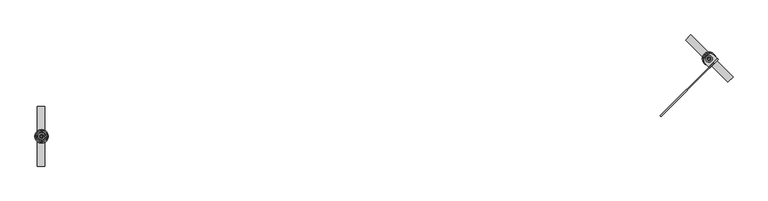
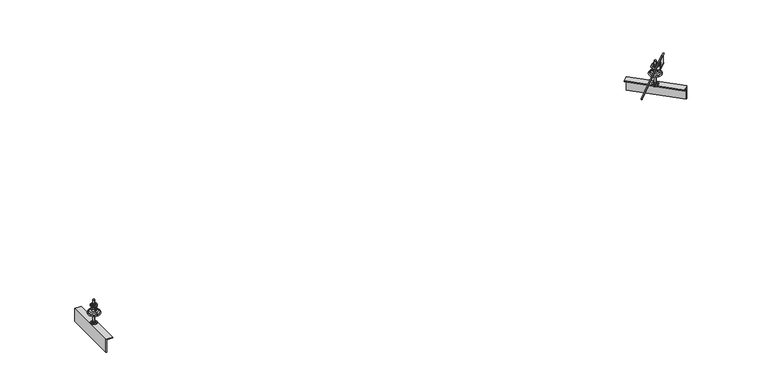
"""IFC4 building model written with IfcOpenShell, lengths in millimetres: proxy geometry."""

from ifc_helpers import new_model, si_unit, point, frame, frame_2d, origin, origin_2d, place, context, project, spatial, polyline, circle_curve, ellipse_curve, trimmed, segment, composite_curve, outline, extrude, source, transform, mapped, element, save
from ifc_brep_helpers import plane_surface, cylinder_surface, revolved_surface, advanced_brep


def specialty_equipment_b4c068b4(model_context):
    return source(origin(), model_context, "Body", "SolidModel", [
        extrude(outline(polyline([(8726.9110746, 469.6729976), (8724.2213481, 479.7111932), (8731.5698174, 487.0596625), (8741.608013, 484.369936), (8744.2977394, 474.3317404), (8736.9492702, 466.9832712), (8726.9110746, 469.6729976)]), holes=[composite_curve([segment(trimmed(circle_curve(frame_2d((8734.2595438, 477.0214668)), 7.0), [point((8739.2092913, 472.0717193))], [point((8729.3097963, 481.9712143))], True, "CARTESIAN"), True, "CONTINUOUS"), segment(trimmed(circle_curve(frame_2d((8734.2595438, 477.0214668)), 7.0), [point((8729.3097963, 481.9712143))], [point((8739.2092913, 472.0717193))], True, "CARTESIAN"), True, "CONTINUOUS")], self_intersect=False)]), frame((0.0, 0.0, -75.0), z_axis=(0.0, 0.0, 1.0), x_axis=(1.0, 0.0, 0.0)), (0.0, 0.0, 1.0), 10.0),
        extrude(outline(composite_curve([segment(trimmed(circle_curve(frame_2d((8734.2595438, 477.0214668)), 13.0), [point((8743.4519319, 467.8290787))], [point((8725.0671556, 486.213855))], False, "CARTESIAN"), True, "CONTINUOUS"), segment(trimmed(circle_curve(frame_2d((8734.2595438, 477.0214668)), 13.0), [point((8725.0671556, 486.213855))], [point((8743.4519319, 467.8290787))], False, "CARTESIAN"), True, "CONTINUOUS")], self_intersect=False)), frame((0.0, 0.0, -78.0), z_axis=(0.0, 0.0, 1.0), x_axis=(1.0, 0.0, 0.0)), (0.0, 0.0, 1.0), 3.0),
        extrude(outline(composite_curve([segment(trimmed(circle_curve(frame_2d((8734.2595438, 477.0214668)), 22.5), [point((8750.1694464, 461.1115642))], [point((8718.3496412, 492.9313694))], False, "CARTESIAN"), True, "CONTINUOUS"), segment(trimmed(circle_curve(frame_2d((8734.2595438, 477.0214668)), 22.5), [point((8718.3496412, 492.9313694))], [point((8750.1694464, 461.1115642))], False, "CARTESIAN"), True, "CONTINUOUS")], self_intersect=False)), frame((0.0, 0.0, -81.0), z_axis=(0.0, 0.0, 1.0), x_axis=(1.0, 0.0, 0.0)), (0.0, 0.0, 1.0), 3.0),
        extrude(outline(polyline([(19.0, 27.5), (19.0, -22.5), (13.0, -22.5), (13.0, 21.5), (-82.0, 21.5), (-82.0, 27.5), (19.0, 27.5)])), frame((8875.6809, 335.6001106, -100.0), z_axis=(-0.7071067811864026, 0.7071067811866926, 0.0), x_axis=(0.0, 0.0, 1.0)), (0.0, 0.0, 1.0), 400.0),
        extrude(outline(composite_curve([segment(trimmed(circle_curve(frame_2d((8734.2595438, 477.0214668)), 21.3), [point((8719.1981694, 492.0828413))], [point((8749.3209182, 461.9600924))], False, "CARTESIAN"), True, "CONTINUOUS"), segment(trimmed(circle_curve(frame_2d((8734.2595438, 477.0214668)), 21.3), [point((8749.3209182, 461.9600924))], [point((8719.1981694, 492.0828413))], False, "CARTESIAN"), True, "CONTINUOUS")], self_intersect=False)), frame((0.0, 0.0, -90.0), z_axis=(0.0, 0.0, 1.0), x_axis=(1.0, 0.0, 0.0)), (0.0, 0.0, 1.0), 3.0),
        extrude(outline(polyline([(8726.9110746, 469.6729976), (8724.2213481, 479.7111932), (8731.5698174, 487.0596625), (8741.608013, 484.369936), (8744.2977394, 474.3317404), (8736.9492702, 466.9832712), (8726.9110746, 469.6729976)]), holes=[composite_curve([segment(trimmed(circle_curve(frame_2d((8734.2595438, 477.0214668)), 7.0), [point((8729.3097963, 481.9712143))], [point((8739.2092913, 472.0717193))], True, "CARTESIAN"), True, "CONTINUOUS"), segment(trimmed(circle_curve(frame_2d((8734.2595438, 477.0214668)), 7.0), [point((8739.2092913, 472.0717193))], [point((8729.3097963, 481.9712143))], True, "CARTESIAN"), True, "CONTINUOUS")], self_intersect=False)]), frame((0.0, 0.0, -100.0), z_axis=(0.0, 0.0, 1.0), x_axis=(1.0, 0.0, 0.0)), (0.0, 0.0, 1.0), 10.0),
        extrude(outline(polyline([(8726.9110746, 469.6729976), (8724.2213481, 479.7111932), (8731.5698174, 487.0596625), (8741.608013, 484.369936), (8744.2977394, 474.3317404), (8736.9492702, 466.9832712), (8726.9110746, 469.6729976)]), holes=[composite_curve([segment(trimmed(circle_curve(frame_2d((8734.2595438, 477.0214668)), 7.0), [point((8729.3097963, 481.9712143))], [point((8739.2092913, 472.0717193))], True, "CARTESIAN"), True, "CONTINUOUS"), segment(trimmed(circle_curve(frame_2d((8734.2595438, 477.0214668)), 7.0), [point((8739.2092913, 472.0717193))], [point((8729.3097963, 481.9712143))], True, "CARTESIAN"), True, "CONTINUOUS")], self_intersect=False)]), frame((0.0, 0.0, 66.0), z_axis=(0.0, 0.0, 1.0), x_axis=(1.0, 0.0, 0.0)), (0.0, 0.0, 1.0), 10.0),
        extrude(outline(composite_curve([segment(trimmed(circle_curve(frame_2d((8734.2595438, 477.0214668)), 13.0), [point((8725.0671556, 486.213855))], [point((8743.4519319, 467.8290787))], False, "CARTESIAN"), True, "CONTINUOUS"), segment(trimmed(circle_curve(frame_2d((8734.2595438, 477.0214668)), 13.0), [point((8743.4519319, 467.8290787))], [point((8725.0671556, 486.213855))], False, "CARTESIAN"), True, "CONTINUOUS")], self_intersect=False)), frame((0.0, 0.0, 63.0), z_axis=(0.0, 0.0, 1.0), x_axis=(1.0, 0.0, 0.0)), (0.0, 0.0, 1.0), 3.0),
        extrude(outline(composite_curve([segment(trimmed(circle_curve(frame_2d((8734.2595438, 477.0214668)), 22.5), [point((8750.1694464, 461.1115642))], [point((8718.3496412, 492.9313694))], False, "CARTESIAN"), True, "CONTINUOUS"), segment(trimmed(circle_curve(frame_2d((8734.2595438, 477.0214668)), 22.5), [point((8718.3496412, 492.9313694))], [point((8750.1694464, 461.1115642))], False, "CARTESIAN"), True, "CONTINUOUS")], self_intersect=False)), frame((0.0, 0.0, 60.0), z_axis=(0.0, 0.0, 1.0), x_axis=(1.0, 0.0, 0.0)), (0.0, 0.0, 1.0), 3.0),
        extrude(outline(polyline([(8726.9110746, 469.6729976), (8724.2213481, 479.7111932), (8731.5698174, 487.0596625), (8741.608013, 484.369936), (8744.2977394, 474.3317404), (8736.9492702, 466.9832712), (8726.9110746, 469.6729976)]), holes=[composite_curve([segment(trimmed(circle_curve(frame_2d((8734.2595438, 477.0214668)), 7.0), [point((8729.3097963, 481.9712143))], [point((8739.2092913, 472.0717193))], True, "CARTESIAN"), True, "CONTINUOUS"), segment(trimmed(circle_curve(frame_2d((8734.2595438, 477.0214668)), 7.0), [point((8739.2092913, 472.0717193))], [point((8729.3097963, 481.9712143))], True, "CARTESIAN"), True, "CONTINUOUS")], self_intersect=False)]), frame((0.0, 0.0, 44.0), z_axis=(0.0, 0.0, 1.0), x_axis=(1.0, 0.0, 0.0)), (0.0, 0.0, 1.0), 10.0),
        extrude(outline(composite_curve([segment(trimmed(circle_curve(frame_2d((8734.2595438, 477.0214668)), 22.5), [point((8750.1694464, 492.9313694))], [point((8718.3496412, 461.1115642))], False, "CARTESIAN"), True, "CONTINUOUS"), segment(trimmed(circle_curve(frame_2d((8734.2595438, 477.0214668)), 22.5), [point((8718.3496412, 461.1115642))], [point((8750.1694464, 492.9313694))], False, "CARTESIAN"), True, "CONTINUOUS")], self_intersect=False)), frame((0.0, 0.0, 54.0), z_axis=(0.0, 0.0, 1.0), x_axis=(1.0, 0.0, 0.0)), (0.0, 0.0, 1.0), 3.0),
        advanced_brep(
        [(8739.2092913, 472.0717193, 0.0), (8729.3097963, 481.9712143, 0.0), (8702.5372044, 508.7438062, 0.0), (8765.9818831, 445.2991275, 0.0), (8739.2092913, 472.0717193, -100.0), (8729.3097963, 481.9712143, -100.0), (8734.2595438, 477.0214668, -100.0), (8739.2092913, 472.0717193, 100.0), (8729.3097963, 481.9712143, 100.0), (8734.2595438, 477.0214668, 100.0), (8739.2092913, 472.0717193, 27.7539053), (8729.3097963, 481.9712143, 27.7539053), (8743.8046228, 467.4763878, 17.8765248), (8724.7144648, 486.5665458, 17.8765248), (8728.5350506, 482.74596, 24.6304301), (8739.984037, 471.2969736, 24.6304301), (8755.4912836, 455.7897271, 16.0), (8713.027804, 498.2532066, 16.0), (8721.9536766, 489.327334, 16.0), (8746.565411, 464.7155997, 16.0), (8760.7760481, 450.5049625, 8.5262143), (8707.7430395, 503.5379711, 8.5262143), (8760.7760481, 450.5049625, 6.8656759), (8707.7430395, 503.5379711, 6.8656759), (8761.3491359, 449.9318747, 5.8712826), (8707.1699517, 504.1110589, 5.8712826)],
        [
            (0, 1, circle_curve(frame((8734.2595438, 477.0214668, 0.0), z_axis=(0.0, 0.0, 1.0), x_axis=(-0.7071067811864026, 0.7071067811866926, 0.0)), 7.0)),
            (1, 2),
            (2, 3, circle_curve(frame((8734.2595438, 477.0214668, 0.0), z_axis=(0.0, 0.0, -1.0), x_axis=(-0.7071067811864026, 0.7071067811866926, 0.0)), 44.8621625)),
            (3, 0),
            (1, 0, circle_curve(frame((8734.2595438, 477.0214668, 0.0), z_axis=(0.0, 0.0, 1.0), x_axis=(-0.7071067811864026, 0.7071067811866926, 0.0)), 7.0)),
            (3, 2, circle_curve(frame((8734.2595438, 477.0214668, 0.0), z_axis=(0.0, 0.0, -1.0), x_axis=(-0.7071067811864026, 0.7071067811866926, 0.0)), 44.8621625)),
            (4, 5, circle_curve(frame((8734.2595438, 477.0214668, -100.0), z_axis=(0.0, 0.0, 1.0), x_axis=(-0.7071067811864026, 0.7071067811866926, 0.0)), 7.0)),
            (5, 1),
            (0, 4),
            (5, 4, circle_curve(frame((8734.2595438, 477.0214668, -100.0), z_axis=(0.0, 0.0, 1.0), x_axis=(-0.7071067811864026, 0.7071067811866926, 0.0)), 7.0)),
            (6, 5),
            (4, 6),
            (7, 8, circle_curve(frame((8734.2595438, 477.0214668, 100.0), z_axis=(0.0, 0.0, 1.0), x_axis=(-0.7071067811864026, 0.7071067811866926, 0.0)), 7.0)),
            (8, 9),
            (9, 7),
            (8, 7, circle_curve(frame((8734.2595438, 477.0214668, 100.0), z_axis=(0.0, 0.0, 1.0), x_axis=(-0.7071067811864026, 0.7071067811866926, 0.0)), 7.0)),
            (10, 11, circle_curve(frame((8734.2595438, 477.0214668, 27.7539053), z_axis=(0.0, 0.0, 1.0), x_axis=(-0.7071067811864026, 0.7071067811866926, 0.0)), 7.0)),
            (11, 8),
            (7, 10),
            (11, 10, circle_curve(frame((8734.2595438, 477.0214668, 27.7539053), z_axis=(0.0, 0.0, 1.0), x_axis=(-0.7071067811864026, 0.7071067811866926, 0.0)), 7.0)),
            (12, 13, circle_curve(frame((8734.2595438, 477.0214668, 17.8765248), z_axis=(0.0, 0.0, 1.0), x_axis=(-0.7071067811864026, 0.7071067811866926, 0.0)), 13.4987802)),
            (13, 14),
            (14, 15, circle_curve(frame((8734.2595438, 477.0214668, 24.6304301), z_axis=(0.0, 0.0, -1.0), x_axis=(-0.7071067811864026, 0.7071067811866926, 0.0)), 8.095656)),
            (15, 12),
            (13, 12, circle_curve(frame((8734.2595438, 477.0214668, 17.8765248), z_axis=(0.0, 0.0, 1.0), x_axis=(-0.7071067811864026, 0.7071067811866926, 0.0)), 13.4987802)),
            (15, 14, circle_curve(frame((8734.2595438, 477.0214668, 24.6304301), z_axis=(0.0, 0.0, -1.0), x_axis=(-0.7071067811864026, 0.7071067811866926, 0.0)), 8.095656)),
            (16, 17, circle_curve(frame((8734.2595438, 477.0214668, 16.0), z_axis=(0.0, 0.0, 1.0), x_axis=(-0.7071067811864026, 0.7071067811866926, 0.0)), 30.0262143)),
            (17, 18),
            (18, 19, circle_curve(frame((8734.2595438, 477.0214668, 16.0), z_axis=(0.0, 0.0, -1.0), x_axis=(-0.7071067811864026, 0.7071067811866926, 0.0)), 17.4031242)),
            (19, 16),
            (17, 16, circle_curve(frame((8734.2595438, 477.0214668, 16.0), z_axis=(0.0, 0.0, 1.0), x_axis=(-0.7071067811864026, 0.7071067811866926, 0.0)), 30.0262143)),
            (19, 18, circle_curve(frame((8734.2595438, 477.0214668, 16.0), z_axis=(0.0, 0.0, -1.0), x_axis=(-0.7071067811864026, 0.7071067811866926, 0.0)), 17.4031242)),
            (20, 21, circle_curve(frame((8734.2595438, 477.0214668, 8.5262143), z_axis=(0.0, 0.0, 1.0), x_axis=(-0.7071067811864026, 0.7071067811866926, 0.0)), 37.5)),
            (21, 17, circle_curve(frame((8713.027804, 498.2532066, 8.5262143), z_axis=(0.7071067811866926, 0.7071067811864026, 0.0), x_axis=(0.7071067811864026, -0.7071067811866926, 0.0)), 7.4737857)),
            (16, 20, circle_curve(frame((8755.4912836, 455.7897271, 8.5262143), z_axis=(0.7071067811866902, 0.7071067811864049, 0.0), x_axis=(-0.7071067811864049, 0.7071067811866902, 0.0)), 7.4737857)),
            (21, 20, circle_curve(frame((8734.2595438, 477.0214668, 8.5262143), z_axis=(0.0, 0.0, 1.0), x_axis=(-0.7071067811864026, 0.7071067811866926, 0.0)), 37.5)),
            (22, 23, circle_curve(frame((8734.2595438, 477.0214668, 6.8656759), z_axis=(0.0, 0.0, 1.0), x_axis=(-0.7071067811864026, 0.7071067811866926, 0.0)), 37.5)),
            (23, 21),
            (20, 22),
            (23, 22, circle_curve(frame((8734.2595438, 477.0214668, 6.8656759), z_axis=(0.0, 0.0, 1.0), x_axis=(-0.7071067811864026, 0.7071067811866926, 0.0)), 37.5)),
            (14, 11, circle_curve(frame((8725.7742624, 485.5067482, 27.7539053), z_axis=(-0.7071067811866926, -0.7071067811864026, 0.0), x_axis=(0.7071067811864026, -0.7071067811866926, 0.0)), 5.0)),
            (10, 15, circle_curve(frame((8742.7448252, 468.5361854, 27.7539053), z_axis=(-0.7071067811866902, -0.7071067811864049, 0.0), x_axis=(-0.7071067811864049, 0.7071067811866902, 0.0)), 5.0)),
            (18, 13, circle_curve(frame((8721.9536766, 489.327334, 21.0), z_axis=(-0.7071067811866926, -0.7071067811864026, 0.0), x_axis=(0.7071067811864026, -0.7071067811866926, 0.0)), 5.0)),
            (12, 19, circle_curve(frame((8746.565411, 464.7155997, 21.0), z_axis=(-0.7071067811866902, -0.7071067811864049, 0.0), x_axis=(-0.7071067811864049, 0.7071067811866902, 0.0)), 5.0)),
            (24, 25, circle_curve(frame((8734.2595438, 477.0214668, 5.8712826), z_axis=(0.0, 0.0, 1.0), x_axis=(-0.7071067811864026, 0.7071067811866926, 0.0)), 38.3104685)),
            (25, 23, circle_curve(frame((8707.0251402, 504.2558704, 6.8656759), z_axis=(-0.7071067811866926, -0.7071067811864026, 0.0), x_axis=(0.7071067811864026, -0.7071067811866926, 0.0)), 1.0152629)),
            (22, 24, circle_curve(frame((8761.4939473, 449.7870633, 6.8656759), z_axis=(-0.7071067811866902, -0.7071067811864049, 0.0), x_axis=(-0.7071067811864049, 0.7071067811866902, 0.0)), 1.0152629)),
            (25, 24, circle_curve(frame((8734.2595438, 477.0214668, 5.8712826), z_axis=(0.0, 0.0, 1.0), x_axis=(-0.7071067811864026, 0.7071067811866926, 0.0)), 38.3104685)),
            (2, 25, circle_curve(frame((8708.4162142, 502.8647964, -2.686569), z_axis=(0.7071067811866926, 0.7071067811864026, 0.0), x_axis=(0.7071067811864026, -0.7071067811866926, 0.0)), 8.7374576)),
            (24, 3, circle_curve(frame((8760.1028734, 451.1781372, -2.686569), z_axis=(0.7071067811866902, 0.7071067811864049, 0.0), x_axis=(-0.7071067811864049, 0.7071067811866902, 0.0)), 8.7374576)),
        ],
        [
            plane_surface(frame((8734.2595438, 477.0214668, 0.0), z_axis=(0.0, 0.0, -1.0000000000000002), x_axis=(-0.7071067811864026, 0.7071067811866926, 0.0))),
            cylinder_surface(frame((8734.2595438, 477.0214668, 93.0), z_axis=(0.0, 0.0, -1.0), x_axis=(-0.7071067811864026, 0.7071067811866926, 0.0)), 7.0),
            plane_surface(frame((8734.2595438, 477.0214668, -100.0), z_axis=(0.0, 0.0, -1.0000000000000002), x_axis=(-0.7071067811864026, 0.7071067811866926, 0.0))),
            plane_surface(frame((8734.2595438, 477.0214668, 100.0), z_axis=(0.0, 0.0, 1.0000000000000002), x_axis=(-0.7071067811864026, 0.7071067811866926, 0.0))),
            revolved_surface(polyline([(8728.5350506, 482.74596, 24.6304301), (8724.7144648, 486.5665458, 17.8765248)]), (8734.2595438, 477.0214668, 93.0), (0.0, 0.0, -1.0)),
            plane_surface(frame((8734.2595438, 477.0214668, 16.0), z_axis=(0.0, 0.0, 1.0000000000000002), x_axis=(-0.7071067811864026, 0.7071067811866926, 0.0))),
            revolved_surface(trimmed(ellipse_curve(frame((8713.027804, 498.2532066, 8.5262143), z_axis=(-0.7071067811866926, -0.7071067811864026, 0.0), x_axis=(0.7071067811864026, -0.7071067811866926, 0.0)), 7.4737857, 7.4737857), [point((8713.027804, 498.2532066, 16.0))], [point((8707.7430395, 503.5379711, 8.5262143))], True, "CARTESIAN"), (8734.2595438, 477.0214668, 93.0), (0.0, 0.0, -1.0)),
            cylinder_surface(frame((8734.2595438, 477.0214668, 93.0), z_axis=(0.0, 0.0, -1.0), x_axis=(-0.7071067811864026, 0.7071067811866926, 0.0)), 37.5),
            revolved_surface(trimmed(ellipse_curve(frame((8725.7742624, 485.5067482, 27.7539053), z_axis=(0.7071067811866926, 0.7071067811864026, 0.0), x_axis=(0.7071067811864026, -0.7071067811866926, 0.0)), 5.0, 5.0), [point((8729.3097963, 481.9712143, 27.7539053))], [point((8728.5350506, 482.74596, 24.6304301))], True, "CARTESIAN"), (8734.2595438, 477.0214668, 93.0), (0.0, 0.0, -1.0)),
            revolved_surface(trimmed(ellipse_curve(frame((8721.9536766, 489.327334, 21.0), z_axis=(0.7071067811866926, 0.7071067811864026, 0.0), x_axis=(0.7071067811864026, -0.7071067811866926, 0.0)), 5.0, 5.0), [point((8724.7144648, 486.5665458, 17.8765248))], [point((8721.9536766, 489.327334, 16.0))], True, "CARTESIAN"), (8734.2595438, 477.0214668, 93.0), (0.0, 0.0, -1.0)),
            revolved_surface(trimmed(ellipse_curve(frame((8707.0251402, 504.2558704, 6.8656759), z_axis=(0.7071067811866926, 0.7071067811864026, 0.0), x_axis=(0.7071067811864026, -0.7071067811866926, 0.0)), 1.0152629, 1.0152629), [point((8707.7430395, 503.5379711, 6.8656759))], [point((8707.1699517, 504.1110589, 5.8712826))], True, "CARTESIAN"), (8734.2595438, 477.0214668, 93.0), (0.0, 0.0, -1.0)),
            revolved_surface(trimmed(ellipse_curve(frame((8708.4162142, 502.8647964, -2.686569), z_axis=(-0.7071067811866926, -0.7071067811864026, 0.0), x_axis=(0.7071067811864026, -0.7071067811866926, 0.0)), 8.7374576, 8.7374576), [point((8707.1699517, 504.1110589, 5.8712826))], [point((8702.5372044, 508.7438062, 0.0))], True, "CARTESIAN"), (8734.2595438, 477.0214668, 93.0), (0.0, 0.0, -1.0)),
        ],
        [
            (0, [[1, 2, 3, 4]]),
            (0, [[5, -4, 6, -2]]),
            (1, [[7, 8, -1, 9]]),
            (1, [[10, -9, -5, -8]]),
            (2, [[11, -7, 12]]),
            (2, [[-12, -10, -11]]),
            (3, [[13, 14, 15]]),
            (3, [[16, -15, -14]]),
            (1, [[17, 18, -13, 19]]),
            (1, [[20, -19, -16, -18]]),
            (4, [[21, 22, 23, 24]]),
            (4, [[25, -24, 26, -22]]),
            (5, [[27, 28, 29, 30]]),
            (5, [[31, -30, 32, -28]]),
            (6, [[33, 34, -27, 35]]),
            (6, [[36, -35, -31, -34]]),
            (7, [[37, 38, -33, 39]]),
            (7, [[40, -39, -36, -38]]),
            (8, [[-23, 41, -17, 42]]),
            (8, [[-26, -42, -20, -41]]),
            (9, [[-29, 43, -21, 44]]),
            (9, [[-32, -44, -25, -43]]),
            (10, [[45, 46, -37, 47]]),
            (10, [[48, -47, -40, -46]]),
            (11, [[-3, 49, -45, 50]]),
            (11, [[-6, -50, -48, -49]]),
        ],
    ),
        advanced_brep(
        [(8735.0647546, 419.6477136, 57.0), (8737.1854367, 417.5270314, 59.9999999), (8737.1854367, 417.5270314, 63.0), (8735.0641164, 419.6483517, 63.0), (8732.942796, 421.7696721, 60.0), (8708.9011655, 445.8113026, 60.0), (8708.9011655, 445.8113026, 57.0), (8737.1854367, 417.5270314, 130.6941216), (8737.313368, 417.3991001, 131.720182), (8739.0631838, 415.6492844, 138.5191259), (8733.1863694, 421.5260988, 138.5191259), (8734.9361851, 419.776283, 131.720182), (8735.0641164, 419.6483517, 130.6941216), (8789.5113385, 478.3382146, 60.0), (8791.6326589, 476.2168942, 63.0), (8793.7539792, 474.0955739, 63.0), (8793.7539792, 474.0955739, 59.9999999), (8791.6332971, 476.216256, 57.0), (8765.469708, 502.3798451, 57.0), (8765.469708, 502.3798451, 60.0), (8791.6326589, 476.2168942, 130.6941216), (8791.5047276, 476.3448255, 131.720182), (8789.7549118, 478.0946413, 138.5191259), (8795.6317262, 472.2178269, 138.5191259), (8793.8819105, 473.9676426, 131.720182), (8793.7539792, 474.0955739, 130.6941216), (8723.0433011, 502.3798451, 60.0), (8708.9011655, 488.2377095, 60.0), (8723.0433011, 502.3798451, 57.0), (8708.9011655, 488.2377095, 57.0)],
        [
            (0, 1, circle_curve(frame((8735.0641164, 419.6483517, 59.9999999), z_axis=(-0.7071067811866926, -0.7071067811864026, 0.0), x_axis=(0.7071067811864026, -0.7071067811866926, 0.0)), 3.0)),
            (1, 2),
            (2, 3),
            (3, 4, circle_curve(frame((8732.942796, 421.7696721, 63.0), z_axis=(0.7071067811866926, 0.7071067811864026, 0.0), x_axis=(0.7071067811864026, -0.7071067811866926, 0.0)), 3.0)),
            (4, 5),
            (5, 6),
            (6, 0),
            (7, 8, circle_curve(frame((8739.3067571, 415.405711, 130.6941216), z_axis=(0.7071067811866926, 0.7071067811864026, 0.0), x_axis=(0.7071067811864026, -0.7071067811866926, 0.0)), 3.0)),
            (8, 9),
            (9, 10, circle_curve(frame((8736.1247766, 418.5876916, 143.5172781), z_axis=(0.7071067811866926, 0.7071067811864026, 0.0), x_axis=(0.7071067811864026, -0.7071067811866926, 0.0)), 6.5)),
            (10, 11),
            (11, 12, circle_curve(frame((8732.942796, 421.7696721, 130.6941216), z_axis=(0.7071067811866926, 0.7071067811864026, 0.0), x_axis=(0.7071067811864026, -0.7071067811866926, 0.0)), 3.0)),
            (12, 7),
            (13, 14, circle_curve(frame((8789.5113385, 478.3382146, 63.0), z_axis=(-0.7071067811866926, -0.7071067811864026, 0.0), x_axis=(0.7071067811864026, -0.7071067811866926, 0.0)), 3.0)),
            (14, 15),
            (15, 16),
            (16, 17, circle_curve(frame((8791.6326589, 476.2168942, 59.9999999), z_axis=(0.7071067811866926, 0.7071067811864026, 0.0), x_axis=(0.7071067811864026, -0.7071067811866926, 0.0)), 3.0)),
            (17, 18),
            (18, 19),
            (19, 13),
            (20, 21, circle_curve(frame((8789.5113385, 478.3382146, 130.6941216), z_axis=(-0.7071067811866926, -0.7071067811864026, 0.0), x_axis=(0.7071067811864026, -0.7071067811866926, 0.0)), 3.0)),
            (21, 22),
            (22, 23, circle_curve(frame((8792.693319, 475.1562341, 143.5172781), z_axis=(-0.7071067811866926, -0.7071067811864026, 0.0), x_axis=(0.7071067811864026, -0.7071067811866926, 0.0)), 6.5)),
            (23, 24),
            (24, 25, circle_curve(frame((8795.8752996, 471.9742535, 130.6941216), z_axis=(-0.7071067811866926, -0.7071067811864026, 0.0), x_axis=(0.7071067811864026, -0.7071067811866926, 0.0)), 3.0)),
            (25, 20),
            (4, 13),
            (19, 26, circle_curve(frame((8744.2565045, 481.1666417, 60.0), z_axis=(0.0, 0.0, 1.0), x_axis=(-0.7071067811866926, -0.7071067811864026, 0.0)), 30.0)),
            (26, 27),
            (27, 5, circle_curve(frame((8730.1143689, 467.0245061, 60.0), z_axis=(0.0, 0.0, 1.0), x_axis=(-0.7071067811866926, -0.7071067811864026, 0.0)), 30.0)),
            (26, 28),
            (28, 29),
            (29, 27),
            (17, 0),
            (6, 29, circle_curve(frame((8730.1143689, 467.0245061, 57.0), z_axis=(0.0, 0.0, -1.0), x_axis=(-0.7071067811866926, -0.7071067811864026, 0.0)), 30.0)),
            (28, 18, circle_curve(frame((8744.2565045, 481.1666417, 57.0), z_axis=(0.0, 0.0, -1.0), x_axis=(-0.7071067811866926, -0.7071067811864026, 0.0)), 30.0)),
            (14, 20, circle_curve(frame((8834.9591893, 519.5434246, 96.8470608), z_axis=(-0.7071067811864026, 0.7071067811866926, 0.0), x_axis=(0.0, 0.0, 1.0)), 70.0)),
            (25, 15, circle_curve(frame((8837.0805096, 517.4221043, 96.8470608), z_axis=(0.7071067811864026, -0.7071067811866926, 0.0), x_axis=(0.0, 0.0, 1.0)), 70.0)),
            (12, 3, circle_curve(frame((8691.737586, 376.3218213, 96.8470608), z_axis=(-0.7071067811864026, 0.7071067811866926, 0.0), x_axis=(0.0, 0.0, 1.0)), 70.0)),
            (2, 7, circle_curve(frame((8693.8589063, 374.200501, 96.8470608), z_axis=(0.7071067811864026, -0.7071067811866926, 0.0), x_axis=(0.0, 0.0, 1.0)), 70.0)),
            (16, 1),
            (25, 7),
            (24, 8),
            (23, 9),
            (22, 10),
            (21, 11),
            (20, 12),
            (14, 3),
        ],
        [
            plane_surface(frame((8737.1854367, 417.5270314, 59.9999999), z_axis=(-0.7071067811866926, -0.7071067811864026, 0.0), x_axis=(0.0, 0.0, 1.0))),
            plane_surface(frame((8793.7539792, 474.0955739, 59.9999999), z_axis=(0.7071067811866926, 0.7071067811864026, 0.0), x_axis=(0.0, 0.0, -1.0))),
            plane_surface(frame((8732.942796, 421.7696721, 60.0), z_axis=(0.0, 0.0, 1.0000000000000002), x_axis=(0.7071067811866926, 0.7071067811864026, 0.0))),
            plane_surface(frame((8687.687962, 467.0245061, 60.0), z_axis=(-0.7071067811864026, 0.7071067811866926, 0.0), x_axis=(0.7071067811866926, 0.7071067811864026, 0.0))),
            plane_surface(frame((8687.687962, 467.0245061, 57.0), z_axis=(0.0, 0.0, -1.0000000000000002), x_axis=(0.7071067811866926, 0.7071067811864026, 0.0))),
            revolved_surface(polyline([(8837.08050960001, 517.4221042999902, 166.8470608), (8834.9591893, 519.5434246, 166.8470608)]), (8834.9591893, 519.5434246, 96.8470608), (0.7071067811864026, -0.7071067811866926, 0.0)),
            revolved_surface(polyline([(8693.8589063, 374.200501, 166.8470608), (8691.737585999992, 376.3218213000089, 166.8470608)]), (8691.3840326, 376.6753747, 96.8470608), (0.7071067811864026, -0.7071067811866926, 0.0)),
            cylinder_surface(frame((8744.2565045, 481.1666417, 60.0), z_axis=(0.0, 0.0, 1.0), x_axis=(-0.7071067811866926, -0.7071067811864026, 0.0)), 30.0),
            cylinder_surface(frame((8730.1143689, 467.0245061, 60.0), z_axis=(0.0, 0.0, 1.0), x_axis=(-0.7071067811866926, -0.7071067811864026, 0.0)), 30.0),
            cylinder_surface(frame((8791.6326589, 476.2168942, 59.9999999), z_axis=(-0.7071067811866926, -0.7071067811864026, 0.0), x_axis=(0.7071067811864026, -0.7071067811866926, 0.0)), 3.0),
            plane_surface(frame((8737.1854367, 417.5270314, 59.9999999), z_axis=(0.7071067811864026, -0.7071067811866926, 0.0), x_axis=(0.7071067811866926, 0.7071067811864026, 0.0))),
            revolved_surface(polyline([(8797.99661994356, 469.8529331564399, 130.6941216), (8741.428077443548, 413.28439065645057, 130.6941216)]), (8795.8752996, 471.9742535, 130.6941216), (0.7071067811866926, 0.7071067811864026, 0.0)),
            plane_surface(frame((8737.313368, 417.3991001, 131.720182), z_axis=(0.6644630243889625, -0.6644630243892272, -0.3420201433240364), x_axis=(0.7071067811866926, 0.7071067811864026, 0.0))),
            revolved_surface(polyline([(8797.289513077712, 470.5600400222868, 143.5172781), (8740.7209706277, 413.99149757229765, 143.5172781)]), (8792.693319, 475.1562341, 143.5172781), (0.7071067811866926, 0.7071067811864026, 0.0)),
            plane_surface(frame((8733.1863694, 421.5260988, 138.5191259), z_axis=(-0.6644630243887307, 0.6644630243890111, -0.3420201433249068), x_axis=(0.7071067811866926, 0.7071067811864026, 0.0))),
            revolved_surface(polyline([(8791.63265884356, 476.2168942564404, 130.6941216), (8735.064116343548, 419.648351756451, 130.6941216)]), (8789.5113385, 478.3382146, 130.6941216), (0.7071067811866926, 0.7071067811864026, 0.0)),
            plane_surface(frame((8735.0641164, 419.6483517, 130.6941216), z_axis=(-0.7071067811864026, 0.7071067811866926, 0.0), x_axis=(0.7071067811866926, 0.7071067811864026, 0.0))),
            revolved_surface(polyline([(8791.63265884356, 476.2168942564402, 63.0), (8735.064116343548, 419.648351756451, 63.0)]), (8789.5113385, 478.3382146, 63.0), (0.7071067811866926, 0.7071067811864026, 0.0)),
        ],
        [
            (0, [[1, 2, 3, 4, 5, 6, 7]]),
            (0, [[8, 9, 10, 11, 12, 13]]),
            (1, [[14, 15, 16, 17, 18, 19, 20]]),
            (1, [[21, 22, 23, 24, 25, 26]]),
            (2, [[27, -20, 28, 29, 30, -5]]),
            (3, [[-29, 31, 32, 33]]),
            (4, [[34, -7, 35, -32, 36, -18]]),
            (5, [[-15, 37, -26, 38]]),
            (6, [[-13, 39, -3, 40]]),
            (7, [[-19, -36, -31, -28]]),
            (8, [[-6, -30, -33, -35]]),
            (9, [[-1, -34, -17, 41]]),
            (10, [[-41, -16, -38, 42, -40, -2]]),
            (11, [[-8, -42, -25, 43]]),
            (12, [[-9, -43, -24, 44]]),
            (13, [[-10, -44, -23, 45]]),
            (14, [[-11, -45, -22, 46]]),
            (15, [[-12, -46, -21, 47]]),
            (16, [[-47, -37, 48, -39]]),
            (17, [[-4, -48, -14, -27]]),
        ],
    ),
        extrude(outline(composite_curve([segment(trimmed(circle_curve(origin_2d(), 4.0), [point((0.0, 4.0))], [point((0.0, -4.0))], False, "CARTESIAN"), True, "CONTINUOUS"), segment(trimmed(circle_curve(origin_2d(), 4.0), [point((0.0, -4.0))], [point((0.0, 4.0))], False, "CARTESIAN"), True, "CONTINUOUS")], self_intersect=False)), frame((8410.8556572, 93.3185722, 143.5), z_axis=(0.7071067811866951, 0.7071067811864, 0.0), x_axis=(0.0, 0.0, 1.0)), (0.0, 0.0, 1.0), 500.0),
        extrude(outline(polyline([(4280.3923048, -42.6378375), (4275.1961524, -51.6378375), (4264.8038476, -51.6378375), (4259.6076952, -42.6378375), (4264.8038476, -33.6378375), (4275.1961524, -33.6378375), (4280.3923048, -42.6378375)]), holes=[composite_curve([segment(trimmed(circle_curve(frame_2d((4270.0, -42.6378375)), 7.0), [point((4270.0, -35.6378375))], [point((4270.0, -49.6378375))], True, "CARTESIAN"), True, "CONTINUOUS"), segment(trimmed(circle_curve(frame_2d((4270.0, -42.6378375)), 7.0), [point((4270.0, -49.6378375))], [point((4270.0, -35.6378375))], True, "CARTESIAN"), True, "CONTINUOUS")], self_intersect=False)]), frame((0.0, 0.0, -75.0), z_axis=(0.0, 0.0, 1.0), x_axis=(1.0, 0.0, 0.0)), (0.0, 0.0, 1.0), 10.0),
        extrude(outline(composite_curve([segment(trimmed(circle_curve(frame_2d((4270.0, -42.6378375)), 13.0), [point((4270.0, -29.6378375))], [point((4270.0, -55.6378375))], False, "CARTESIAN"), True, "CONTINUOUS"), segment(trimmed(circle_curve(frame_2d((4270.0, -42.6378375)), 13.0), [point((4270.0, -55.6378375))], [point((4270.0, -29.6378375))], False, "CARTESIAN"), True, "CONTINUOUS")], self_intersect=False)), frame((0.0, 0.0, -78.0), z_axis=(0.0, 0.0, 1.0), x_axis=(1.0, 0.0, 0.0)), (0.0, 0.0, 1.0), 3.0),
        extrude(outline(composite_curve([segment(trimmed(circle_curve(frame_2d((4270.0, -42.6378375)), 22.5), [point((4270.0, -20.1378375))], [point((4270.0, -65.1378375))], False, "CARTESIAN"), True, "CONTINUOUS"), segment(trimmed(circle_curve(frame_2d((4270.0, -42.6378375)), 22.5), [point((4270.0, -65.1378375))], [point((4270.0, -20.1378375))], False, "CARTESIAN"), True, "CONTINUOUS")], self_intersect=False)), frame((0.0, 0.0, -81.0), z_axis=(0.0, 0.0, 1.0), x_axis=(1.0, 0.0, 0.0)), (0.0, 0.0, 1.0), 3.0),
        extrude(outline(polyline([(-81.0, 4242.5), (-182.0, 4242.5), (-182.0, 4248.5), (-87.0, 4248.5), (-87.0, 4292.5), (-81.0, 4292.5), (-81.0, 4242.5)])), frame((0.0, -242.6378375, 0.0), z_axis=(0.0, 1.0, 0.0), x_axis=(0.0, 0.0, 1.0)), (0.0, 0.0, 1.0), 400.0),
        extrude(outline(composite_curve([segment(trimmed(circle_curve(frame_2d((4270.0, -42.6378375)), 21.3), [point((4270.0, -63.9378375))], [point((4270.0, -21.3378375))], False, "CARTESIAN"), True, "CONTINUOUS"), segment(trimmed(circle_curve(frame_2d((4270.0, -42.6378375)), 21.3), [point((4270.0, -21.3378375))], [point((4270.0, -63.9378375))], False, "CARTESIAN"), True, "CONTINUOUS")], self_intersect=False)), frame((0.0, 0.0, -90.0), z_axis=(0.0, 0.0, 1.0), x_axis=(1.0, 0.0, 0.0)), (0.0, 0.0, 1.0), 3.0),
        extrude(outline(polyline([(4280.3923048, -42.6378375), (4275.1961524, -51.6378375), (4264.8038476, -51.6378375), (4259.6076952, -42.6378375), (4264.8038476, -33.6378375), (4275.1961524, -33.6378375), (4280.3923048, -42.6378375)]), holes=[composite_curve([segment(trimmed(circle_curve(frame_2d((4270.0, -42.6378375)), 7.0), [point((4270.0, -49.6378375))], [point((4270.0, -35.6378375))], True, "CARTESIAN"), True, "CONTINUOUS"), segment(trimmed(circle_curve(frame_2d((4270.0, -42.6378375)), 7.0), [point((4270.0, -35.6378375))], [point((4270.0, -49.6378375))], True, "CARTESIAN"), True, "CONTINUOUS")], self_intersect=False)]), frame((0.0, 0.0, -100.0), z_axis=(0.0, 0.0, 1.0), x_axis=(1.0, 0.0, 0.0)), (0.0, 0.0, 1.0), 10.0),
        extrude(outline(polyline([(4280.3923048, -42.6378375), (4275.1961524, -51.6378375), (4264.8038476, -51.6378375), (4259.6076952, -42.6378375), (4264.8038476, -33.6378375), (4275.1961524, -33.6378375), (4280.3923048, -42.6378375)]), holes=[composite_curve([segment(trimmed(circle_curve(frame_2d((4270.0, -42.6378375)), 7.0), [point((4270.0, -49.6378375))], [point((4270.0, -35.6378375))], True, "CARTESIAN"), True, "CONTINUOUS"), segment(trimmed(circle_curve(frame_2d((4270.0, -42.6378375)), 7.0), [point((4270.0, -35.6378375))], [point((4270.0, -49.6378375))], True, "CARTESIAN"), True, "CONTINUOUS")], self_intersect=False)]), frame((0.0, 0.0, 66.0), z_axis=(0.0, 0.0, 1.0), x_axis=(1.0, 0.0, 0.0)), (0.0, 0.0, 1.0), 10.0),
        extrude(outline(composite_curve([segment(trimmed(circle_curve(frame_2d((4270.0, -42.6378375)), 13.0), [point((4270.0, -55.6378375))], [point((4270.0, -29.6378375))], False, "CARTESIAN"), True, "CONTINUOUS"), segment(trimmed(circle_curve(frame_2d((4270.0, -42.6378375)), 13.0), [point((4270.0, -29.6378375))], [point((4270.0, -55.6378375))], False, "CARTESIAN"), True, "CONTINUOUS")], self_intersect=False)), frame((0.0, 0.0, 63.0), z_axis=(0.0, 0.0, 1.0), x_axis=(1.0, 0.0, 0.0)), (0.0, 0.0, 1.0), 3.0),
        extrude(outline(composite_curve([segment(trimmed(circle_curve(frame_2d((4270.0, -42.6378375)), 22.5), [point((4270.0, -20.1378375))], [point((4270.0, -65.1378375))], False, "CARTESIAN"), True, "CONTINUOUS"), segment(trimmed(circle_curve(frame_2d((4270.0, -42.6378375)), 22.5), [point((4270.0, -65.1378375))], [point((4270.0, -20.1378375))], False, "CARTESIAN"), True, "CONTINUOUS")], self_intersect=False)), frame((0.0, 0.0, 60.0), z_axis=(0.0, 0.0, 1.0), x_axis=(1.0, 0.0, 0.0)), (0.0, 0.0, 1.0), 3.0),
        extrude(outline(polyline([(4280.3923048, -42.6378375), (4275.1961524, -51.6378375), (4264.8038476, -51.6378375), (4259.6076952, -42.6378375), (4264.8038476, -33.6378375), (4275.1961524, -33.6378375), (4280.3923048, -42.6378375)]), holes=[composite_curve([segment(trimmed(circle_curve(frame_2d((4270.0, -42.6378375)), 7.0), [point((4270.0, -49.6378375))], [point((4270.0, -35.6378375))], True, "CARTESIAN"), True, "CONTINUOUS"), segment(trimmed(circle_curve(frame_2d((4270.0, -42.6378375)), 7.0), [point((4270.0, -35.6378375))], [point((4270.0, -49.6378375))], True, "CARTESIAN"), True, "CONTINUOUS")], self_intersect=False)]), frame((0.0, 0.0, 44.0), z_axis=(0.0, 0.0, 1.0), x_axis=(1.0, 0.0, 0.0)), (0.0, 0.0, 1.0), 10.0),
        extrude(outline(composite_curve([segment(trimmed(circle_curve(frame_2d((4270.0, -42.6378375)), 22.5), [point((4247.5, -42.6378375))], [point((4292.5, -42.6378375))], False, "CARTESIAN"), True, "CONTINUOUS"), segment(trimmed(circle_curve(frame_2d((4270.0, -42.6378375)), 22.5), [point((4292.5, -42.6378375))], [point((4247.5, -42.6378375))], False, "CARTESIAN"), True, "CONTINUOUS")], self_intersect=False)), frame((0.0, 0.0, 54.0), z_axis=(0.0, 0.0, 1.0), x_axis=(1.0, 0.0, 0.0)), (0.0, 0.0, 1.0), 3.0),
        advanced_brep(
        [(4270.0, -35.6378375, 0.0), (4270.0, -49.6378375, 0.0), (4270.0, -87.5, 0.0), (4270.0, 2.2243251, 0.0), (4270.0, -35.6378375, -100.0), (4270.0, -49.6378375, -100.0), (4270.0, -42.6378375, -100.0), (4270.0, -35.6378375, 100.0), (4270.0, -49.6378375, 100.0), (4270.0, -42.6378375, 100.0), (4270.0, -35.6378375, 27.7539053), (4270.0, -49.6378375, 27.7539053), (4270.0, -29.1390573, 17.8765248), (4270.0, -56.1366177, 17.8765248), (4270.0, -50.7334934, 24.6304301), (4270.0, -34.5421815, 24.6304301), (4270.0, -12.6116231, 16.0), (4270.0, -72.6640518, 16.0), (4270.0, -60.0409617, 16.0), (4270.0, -25.2347132, 16.0), (4270.0, -5.1378375, 8.5262143), (4270.0, -80.1378375, 8.5262143), (4270.0, -5.1378375, 6.8656759), (4270.0, -80.1378375, 6.8656759), (4270.0, -4.3273689, 5.8712826), (4270.0, -80.948306, 5.8712826)],
        [
            (0, 1, circle_curve(frame((4270.0, -42.6378375, 0.0), z_axis=(0.0, 0.0, 1.0), x_axis=(0.0, -1.0, 0.0)), 7.0)),
            (1, 2),
            (2, 3, circle_curve(frame((4270.0, -42.6378375, 0.0), z_axis=(0.0, 0.0, -1.0), x_axis=(0.0, -1.0, 0.0)), 44.8621625)),
            (3, 0),
            (1, 0, circle_curve(frame((4270.0, -42.6378375, 0.0), z_axis=(0.0, 0.0, 1.0), x_axis=(0.0, -1.0, 0.0)), 7.0)),
            (3, 2, circle_curve(frame((4270.0, -42.6378375, 0.0), z_axis=(0.0, 0.0, -1.0), x_axis=(0.0, -1.0, 0.0)), 44.8621625)),
            (4, 5, circle_curve(frame((4270.0, -42.6378375, -100.0), z_axis=(0.0, 0.0, 1.0), x_axis=(0.0, -1.0, 0.0)), 7.0)),
            (5, 1),
            (0, 4),
            (5, 4, circle_curve(frame((4270.0, -42.6378375, -100.0), z_axis=(0.0, 0.0, 1.0), x_axis=(0.0, -1.0, 0.0)), 7.0)),
            (6, 5),
            (4, 6),
            (7, 8, circle_curve(frame((4270.0, -42.6378375, 100.0), z_axis=(0.0, 0.0, 1.0), x_axis=(0.0, -1.0, 0.0)), 7.0)),
            (8, 9),
            (9, 7),
            (8, 7, circle_curve(frame((4270.0, -42.6378375, 100.0), z_axis=(0.0, 0.0, 1.0), x_axis=(0.0, -1.0, 0.0)), 7.0)),
            (10, 11, circle_curve(frame((4270.0, -42.6378375, 27.7539053), z_axis=(0.0, 0.0, 1.0), x_axis=(0.0, -1.0, 0.0)), 7.0)),
            (11, 8),
            (7, 10),
            (11, 10, circle_curve(frame((4270.0, -42.6378375, 27.7539053), z_axis=(0.0, 0.0, 1.0), x_axis=(0.0, -1.0, 0.0)), 7.0)),
            (12, 13, circle_curve(frame((4270.0, -42.6378375, 17.8765248), z_axis=(0.0, 0.0, 1.0), x_axis=(0.0, -1.0, 0.0)), 13.4987802)),
            (13, 14),
            (14, 15, circle_curve(frame((4270.0, -42.6378375, 24.6304301), z_axis=(0.0, 0.0, -1.0), x_axis=(0.0, -1.0, 0.0)), 8.095656)),
            (15, 12),
            (13, 12, circle_curve(frame((4270.0, -42.6378375, 17.8765248), z_axis=(0.0, 0.0, 1.0), x_axis=(0.0, -1.0, 0.0)), 13.4987802)),
            (15, 14, circle_curve(frame((4270.0, -42.6378375, 24.6304301), z_axis=(0.0, 0.0, -1.0), x_axis=(0.0, -1.0, 0.0)), 8.095656)),
            (16, 17, circle_curve(frame((4270.0, -42.6378375, 16.0), z_axis=(0.0, 0.0, 1.0), x_axis=(0.0, -1.0, 0.0)), 30.0262143)),
            (17, 18),
            (18, 19, circle_curve(frame((4270.0, -42.6378375, 16.0), z_axis=(0.0, 0.0, -1.0), x_axis=(0.0, -1.0, 0.0)), 17.4031242)),
            (19, 16),
            (17, 16, circle_curve(frame((4270.0, -42.6378375, 16.0), z_axis=(0.0, 0.0, 1.0), x_axis=(0.0, -1.0, 0.0)), 30.0262143)),
            (19, 18, circle_curve(frame((4270.0, -42.6378375, 16.0), z_axis=(0.0, 0.0, -1.0), x_axis=(0.0, -1.0, 0.0)), 17.4031242)),
            (20, 21, circle_curve(frame((4270.0, -42.6378375, 8.5262143), z_axis=(0.0, 0.0, 1.0), x_axis=(0.0, -1.0, 0.0)), 37.5)),
            (21, 17, circle_curve(frame((4270.0, -72.6640518, 8.5262143), z_axis=(-1.0, 0.0, 0.0), x_axis=(0.0, 1.0, 0.0)), 7.4737857)),
            (16, 20, circle_curve(frame((4270.0, -12.6116231, 8.5262143), z_axis=(-1.0, 0.0, 0.0), x_axis=(0.0, -1.0, 0.0)), 7.4737857)),
            (21, 20, circle_curve(frame((4270.0, -42.6378375, 8.5262143), z_axis=(0.0, 0.0, 1.0), x_axis=(0.0, -1.0, 0.0)), 37.5)),
            (22, 23, circle_curve(frame((4270.0, -42.6378375, 6.8656759), z_axis=(0.0, 0.0, 1.0), x_axis=(0.0, -1.0, 0.0)), 37.5)),
            (23, 21),
            (20, 22),
            (23, 22, circle_curve(frame((4270.0, -42.6378375, 6.8656759), z_axis=(0.0, 0.0, 1.0), x_axis=(0.0, -1.0, 0.0)), 37.5)),
            (14, 11, circle_curve(frame((4270.0, -54.6378375, 27.7539053), z_axis=(1.0, 0.0, 0.0), x_axis=(0.0, 1.0, 0.0)), 5.0)),
            (10, 15, circle_curve(frame((4270.0, -30.6378375, 27.7539053), z_axis=(1.0, 0.0, 0.0), x_axis=(0.0, -1.0, 0.0)), 5.0)),
            (18, 13, circle_curve(frame((4270.0, -60.0409617, 21.0), z_axis=(1.0, 0.0, 0.0), x_axis=(0.0, 1.0, 0.0)), 5.0)),
            (12, 19, circle_curve(frame((4270.0, -25.2347132, 21.0), z_axis=(1.0, 0.0, 0.0), x_axis=(0.0, -1.0, 0.0)), 5.0)),
            (24, 25, circle_curve(frame((4270.0, -42.6378375, 5.8712826), z_axis=(0.0, 0.0, 1.0), x_axis=(0.0, -1.0, 0.0)), 38.3104685)),
            (25, 23, circle_curve(frame((4270.0, -81.1531003, 6.8656759), z_axis=(1.0, 0.0, 0.0), x_axis=(0.0, 1.0, 0.0)), 1.0152629)),
            (22, 24, circle_curve(frame((4270.0, -4.1225746, 6.8656759), z_axis=(1.0, 0.0, 0.0), x_axis=(0.0, -1.0, 0.0)), 1.0152629)),
            (25, 24, circle_curve(frame((4270.0, -42.6378375, 5.8712826), z_axis=(0.0, 0.0, 1.0), x_axis=(0.0, -1.0, 0.0)), 38.3104685)),
            (2, 25, circle_curve(frame((4270.0, -79.1858246, -2.686569), z_axis=(-1.0, 0.0, 0.0), x_axis=(0.0, 1.0, 0.0)), 8.7374576)),
            (24, 3, circle_curve(frame((4270.0, -6.0898503, -2.686569), z_axis=(-1.0, 0.0, 0.0), x_axis=(0.0, -1.0, 0.0)), 8.7374576)),
        ],
        [
            plane_surface(frame((4270.0, -42.6378375, 0.0), z_axis=(0.0, 0.0, -1.0), x_axis=(0.0, -1.0, 0.0))),
            cylinder_surface(frame((4270.0, -42.6378375, 93.0), z_axis=(0.0, 0.0, -1.0), x_axis=(0.0, -1.0, 0.0)), 7.0),
            plane_surface(frame((4270.0, -42.6378375, -100.0), z_axis=(0.0, 0.0, -1.0), x_axis=(0.0, -1.0, 0.0))),
            plane_surface(frame((4270.0, -42.6378375, 100.0), z_axis=(0.0, 0.0, 1.0), x_axis=(0.0, -1.0, 0.0))),
            revolved_surface(polyline([(4270.0, -50.7334934, 24.6304301), (4270.0, -56.1366177, 17.8765248)]), (4270.0, -42.6378375, 93.0), (0.0, 0.0, -1.0)),
            plane_surface(frame((4270.0, -42.6378375, 16.0), z_axis=(0.0, 0.0, 1.0), x_axis=(0.0, -1.0, 0.0))),
            revolved_surface(trimmed(ellipse_curve(frame((4270.0, -72.6640518, 8.5262143), z_axis=(1.0, 0.0, 0.0), x_axis=(0.0, 1.0, 0.0)), 7.4737857, 7.4737857), [point((4270.0, -72.6640518, 16.0))], [point((4270.0, -80.1378375, 8.5262143))], True, "CARTESIAN"), (4270.0, -42.6378375, 93.0), (0.0, 0.0, -1.0)),
            cylinder_surface(frame((4270.0, -42.6378375, 93.0), z_axis=(0.0, 0.0, -1.0), x_axis=(0.0, -1.0, 0.0)), 37.5),
            revolved_surface(trimmed(ellipse_curve(frame((4270.0, -54.6378375, 27.7539053), z_axis=(-1.0, 0.0, 0.0), x_axis=(0.0, 1.0, 0.0)), 5.0, 5.0), [point((4270.0, -49.6378375, 27.7539053))], [point((4270.0, -50.7334934, 24.6304301))], True, "CARTESIAN"), (4270.0, -42.6378375, 93.0), (0.0, 0.0, -1.0)),
            revolved_surface(trimmed(ellipse_curve(frame((4270.0, -60.0409617, 21.0), z_axis=(-1.0, 0.0, 0.0), x_axis=(0.0, 1.0, 0.0)), 5.0, 5.0), [point((4270.0, -56.1366177, 17.8765248))], [point((4270.0, -60.0409617, 16.0))], True, "CARTESIAN"), (4270.0, -42.6378375, 93.0), (0.0, 0.0, -1.0)),
            revolved_surface(trimmed(ellipse_curve(frame((4270.0, -81.1531003, 6.8656759), z_axis=(-1.0, 0.0, 0.0), x_axis=(0.0, 1.0, 0.0)), 1.0152629, 1.0152629), [point((4270.0, -80.1378375, 6.8656759))], [point((4270.0, -80.948306, 5.8712826))], True, "CARTESIAN"), (4270.0, -42.6378375, 93.0), (0.0, 0.0, -1.0)),
            revolved_surface(trimmed(ellipse_curve(frame((4270.0, -79.1858246, -2.686569), z_axis=(1.0, 0.0, 0.0), x_axis=(0.0, 1.0, 0.0)), 8.7374576, 8.7374576), [point((4270.0, -80.948306, 5.8712826))], [point((4270.0, -87.5, 0.0))], True, "CARTESIAN"), (4270.0, -42.6378375, 93.0), (0.0, 0.0, -1.0)),
        ],
        [
            (0, [[1, 2, 3, 4]]),
            (0, [[5, -4, 6, -2]]),
            (1, [[7, 8, -1, 9]]),
            (1, [[10, -9, -5, -8]]),
            (2, [[11, -7, 12]]),
            (2, [[-12, -10, -11]]),
            (3, [[13, 14, 15]]),
            (3, [[16, -15, -14]]),
            (1, [[17, 18, -13, 19]]),
            (1, [[20, -19, -16, -18]]),
            (4, [[21, 22, 23, 24]]),
            (4, [[25, -24, 26, -22]]),
            (5, [[27, 28, 29, 30]]),
            (5, [[31, -30, 32, -28]]),
            (6, [[33, 34, -27, 35]]),
            (6, [[36, -35, -31, -34]]),
            (7, [[37, 38, -33, 39]]),
            (7, [[40, -39, -36, -38]]),
            (8, [[-23, 41, -17, 42]]),
            (8, [[-26, -42, -20, -41]]),
            (9, [[-29, 43, -21, 44]]),
            (9, [[-32, -44, -25, -43]]),
            (10, [[45, 46, -37, 47]]),
            (10, [[48, -47, -40, -46]]),
            (11, [[-3, 49, -45, 50]]),
            (11, [[-6, -50, -48, -49]]),
        ],
    ),
    ])


if __name__ == "__main__":
    model = new_model("IFC4")
    model_context = context("Model", 3, world=origin())
    ifc_project = project(units=[si_unit("LENGTHUNIT", "METRE", prefix="MILLI")], contexts=[model_context])
    site = spatial("IfcSite", under=ifc_project)
    building = spatial("IfcBuilding", under=site)
    placement = place(None, origin())
    specialty_equipment_shape = specialty_equipment_b4c068b4(model_context)
    element("IfcBuildingElementProxy", 1, Name="Specialty Equipment", at=placement, inside=building, context=model_context, shape_type="MappedRepresentation", body=[
        mapped(specialty_equipment_shape, transform((0.0, 0.0, 0.0), x_axis=(1.0, 0.0, 0.0), y_axis=(0.0, 1.0, 0.0), z_axis=(0.0, 0.0, 1.0))),
    ])
    save(model, "model.ifc")
